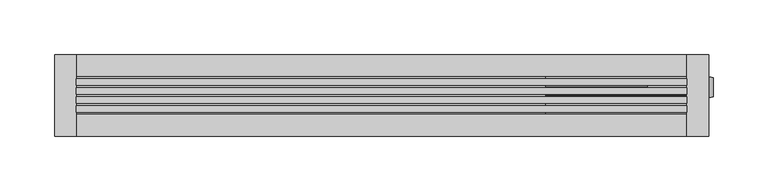
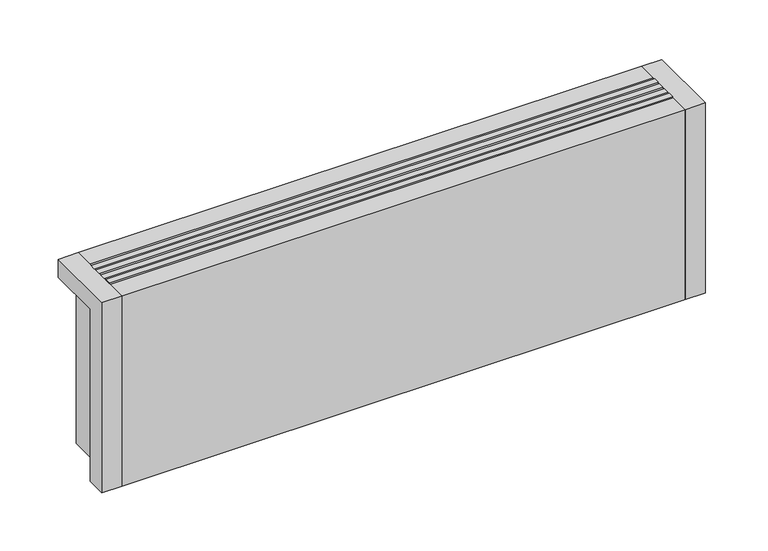
"""IFC4 building model written with IfcOpenShell, lengths in millimetres: proxy geometry."""

from ifc_helpers import new_model, si_unit, point, frame, frame_2d, origin, origin_with_axes, place, context, project, spatial, polyline, circle_curve, ellipse_curve, trimmed, segment, composite_curve, outline, extrude, source, transform, mapped, element, save
from ifc_brep_helpers import plane_surface, cylinder_surface, revolved_surface, advanced_brep


def mechanical_equipment_56a02489(model_context):
    return source(origin(), model_context, "Body", "SolidModel", [
        extrude(outline(composite_curve([segment(trimmed(circle_curve(frame_2d((7.5, 77.0)), 7.5), [point((15.0, 77.0))], [point((0.0, 77.0))], False, "CARTESIAN"), True, "CONTINUOUS"), segment(trimmed(circle_curve(frame_2d((7.5, 77.0)), 7.5), [point((0.0, 77.0))], [point((15.0, 77.0))], False, "CARTESIAN"), True, "CONTINUOUS")], self_intersect=False)), frame((544.0, 0.0, 0.0), z_axis=(1.0, 0.0, 0.0), x_axis=(0.0, 1.0, 0.0)), (0.0, 0.0, 1.0), 38.0),
        advanced_brep(
        [(582.0, 7.5, 77.0), (582.0, 19.8236127, 77.0), (582.0, -4.8236127, 77.0), (604.3972754, -1.4373094, 77.0), (604.3972754, 16.4373094, 77.0), (604.3972754, 7.5, 77.0)],
        [
            (0, 1),
            (1, 2, circle_curve(frame((582.0, 7.5, 77.0), z_axis=(-1.0, 0.0, 0.0), x_axis=(0.0, 1.0, 0.0)), 12.3236127)),
            (2, 0),
            (2, 1, circle_curve(frame((582.0, 7.5, 77.0), z_axis=(-1.0, 0.0, 0.0), x_axis=(0.0, 1.0, 0.0)), 12.3236127)),
            (3, 4, circle_curve(frame((604.3972754, 7.5, 77.0), z_axis=(1.0, 0.0, 0.0), x_axis=(0.0, 1.0, 0.0)), 8.9373094)),
            (4, 5),
            (5, 3),
            (4, 3, circle_curve(frame((604.3972754, 7.5, 77.0), z_axis=(1.0, 0.0, 0.0), x_axis=(0.0, 1.0, 0.0)), 8.9373094)),
            (1, 4, circle_curve(frame((582.930269, -49.7853335, 77.0), z_axis=(0.0, 0.0, -1.0), x_axis=(1.0, 0.0, 0.0)), 69.6151621)),
            (3, 2, circle_curve(frame((582.930269, 64.7853335, 77.0), z_axis=(0.0, 0.0, -1.0), x_axis=(1.0, 0.0, 0.0)), 69.6151621)),
        ],
        [
            plane_surface(frame((582.0, 7.5, 77.0), z_axis=(-1.0, 0.0, 0.0), x_axis=(0.0, 1.0, 0.0))),
            plane_surface(frame((604.3972754, 7.5, 77.0), z_axis=(1.0, 0.0, 0.0), x_axis=(0.0, 1.0, 0.0))),
            revolved_surface(trimmed(ellipse_curve(frame((582.930269, -49.7853335, 77.0), z_axis=(0.0, 0.0, 1.0), x_axis=(1.0, 0.0, 0.0)), 69.6151621, 69.6151621), [point((604.3972754, 16.4373094, 77.0))], [point((582.0, 19.8236127, 77.0))], True, "CARTESIAN"), (610.1181216, 7.5, 77.0), (-1.0, 0.0, 0.0)),
        ],
        [
            (0, [[1, 2, 3]]),
            (0, [[-3, 4, -1]]),
            (1, [[5, 6, 7]]),
            (1, [[8, -7, -6]]),
            (2, [[-2, 9, -5, 10]]),
            (2, [[-4, -10, -8, -9]]),
        ],
    ),
        advanced_brep(
        [(450.0, 7.5, 19.5), (450.0, 7.5, 34.5), (486.5, 7.5, 19.5), (501.5, 7.5, 34.5), (486.5, 7.5, 0.0), (501.5, 7.5, 0.0)],
        [
            (0, 1, circle_curve(frame((450.0, 7.5, 27.0), z_axis=(-1.0, 0.0, 0.0), x_axis=(0.0, 0.0, 1.0)), 7.5)),
            (1, 0, circle_curve(frame((450.0, 7.5, 27.0), z_axis=(-1.0, 0.0, 0.0), x_axis=(0.0, 0.0, 1.0)), 7.5)),
            (0, 2),
            (2, 3, ellipse_curve(frame((494.0, 7.5, 27.0), z_axis=(-0.7071067811865469, 0.0, 0.707106781186548), x_axis=(-0.7071067811865481, 0.0, -0.7071067811865468)), 10.6066017, 7.5)),
            (3, 1),
            (3, 2, ellipse_curve(frame((494.0, 7.5, 27.0), z_axis=(-0.7071067811865469, 0.0, 0.707106781186548), x_axis=(-0.7071067811865481, 0.0, -0.7071067811865468)), 10.6066017, 7.5)),
            (4, 5, circle_curve(frame((494.0, 7.5, 0.0), z_axis=(0.0, 0.0, -1.0), x_axis=(1.0, 0.0, 0.0)), 7.5)),
            (5, 4, circle_curve(frame((494.0, 7.5, 0.0), z_axis=(0.0, 0.0, -1.0), x_axis=(1.0, 0.0, 0.0)), 7.5)),
            (2, 4),
            (5, 3),
        ],
        [
            plane_surface(frame((450.0, 7.5, 27.0), z_axis=(-1.0, 0.0, 0.0), x_axis=(0.0, -1.0, 0.0))),
            cylinder_surface(frame((450.0, 7.5, 27.0), z_axis=(-1.0, 0.0, 0.0), x_axis=(0.0, 0.0, 1.0)), 7.5),
            plane_surface(frame((494.0, 7.5, 0.0), z_axis=(0.0, 0.0, -1.0), x_axis=(0.0, -1.0, 0.0))),
            cylinder_surface(frame((494.0, 7.5, 27.0), z_axis=(0.0, 0.0, 1.0), x_axis=(1.0, 0.0, 0.0)), 7.5),
        ],
        [
            (0, [[1, 2]]),
            (1, [[-1, 3, 4, 5]]),
            (1, [[-2, -5, 6, -3]]),
            (2, [[7, 8]]),
            (3, [[-4, 9, -8, 10]]),
            (3, [[-6, -10, -7, -9]]),
        ],
    ),
        advanced_brep(
        [(450.0, 7.5, 69.5), (450.0, 7.5, 84.5), (536.5, 7.5, 69.5), (551.5, 7.5, 84.5), (536.5, 7.5, 0.0), (551.5, 7.5, 0.0)],
        [
            (0, 1, circle_curve(frame((450.0, 7.5, 77.0), z_axis=(-1.0, 0.0, 0.0), x_axis=(0.0, 0.0, 1.0)), 7.5)),
            (1, 0, circle_curve(frame((450.0, 7.5, 77.0), z_axis=(-1.0, 0.0, 0.0), x_axis=(0.0, 0.0, 1.0)), 7.5)),
            (0, 2),
            (2, 3, ellipse_curve(frame((544.0, 7.5, 77.0), z_axis=(-0.7071067811865469, 0.0, 0.707106781186548), x_axis=(-0.7071067811865481, 0.0, -0.7071067811865468)), 10.6066017, 7.5)),
            (3, 1),
            (3, 2, ellipse_curve(frame((544.0, 7.5, 77.0), z_axis=(-0.7071067811865469, 0.0, 0.707106781186548), x_axis=(-0.7071067811865481, 0.0, -0.7071067811865468)), 10.6066017, 7.5)),
            (4, 5, circle_curve(frame((544.0, 7.5, 0.0), z_axis=(0.0, 0.0, -1.0), x_axis=(1.0, 0.0, 0.0)), 7.5)),
            (5, 4, circle_curve(frame((544.0, 7.5, 0.0), z_axis=(0.0, 0.0, -1.0), x_axis=(1.0, 0.0, 0.0)), 7.5)),
            (2, 4),
            (5, 3),
        ],
        [
            plane_surface(frame((450.0, 7.5, 77.0), z_axis=(-1.0, 0.0, 0.0), x_axis=(0.0, -1.0, 0.0))),
            cylinder_surface(frame((450.0, 7.5, 77.0), z_axis=(-1.0, 0.0, 0.0), x_axis=(0.0, 0.0, 1.0)), 7.5),
            plane_surface(frame((544.0, 7.5, 0.0), z_axis=(0.0, 0.0, -1.0), x_axis=(0.0, -1.0, 0.0))),
            cylinder_surface(frame((544.0, 7.5, 77.0), z_axis=(0.0, 0.0, 1.0), x_axis=(1.0, 0.0, 0.0)), 7.5),
        ],
        [
            (0, [[1, 2]]),
            (1, [[-1, 3, 4, 5]]),
            (1, [[-2, -5, 6, -3]]),
            (2, [[7, 8]]),
            (3, [[-4, 9, -8, 10]]),
            (3, [[-6, -10, -7, -9]]),
        ],
    ),
        extrude(outline(polyline([(20.0, -1.1666667), (580.0, -1.1666667), (580.0, -7.1666667), (20.0, -7.1666667), (20.0, -1.1666667)])), frame((0.0, 0.0, 182.0), z_axis=(0.0, 0.0, 1.0), x_axis=(1.0, 0.0, 0.0)), (0.0, 0.0, 1.0), 18.0),
        extrude(outline(polyline([(20.0, 7.1666667), (580.0, 7.1666667), (580.0, 1.1666667), (20.0, 1.1666667), (20.0, 7.1666667)])), frame((0.0, 0.0, 182.0), z_axis=(0.0, 0.0, 1.0), x_axis=(1.0, 0.0, 0.0)), (0.0, 0.0, 1.0), 18.0),
        extrude(outline(polyline([(20.0, -9.5), (580.0, -9.5), (580.0, -15.5), (20.0, -15.5), (20.0, -9.5)])), frame((0.0, 0.0, 182.0), z_axis=(0.0, 0.0, 1.0), x_axis=(1.0, 0.0, 0.0)), (0.0, 0.0, 1.0), 18.0),
        extrude(outline(polyline([(20.0, 15.5), (580.0, 15.5), (580.0, 9.5), (20.0, 9.5), (20.0, 15.5)])), frame((0.0, 0.0, 182.0), z_axis=(0.0, 0.0, 1.0), x_axis=(1.0, 0.0, 0.0)), (0.0, 0.0, 1.0), 18.0),
        extrude(outline(polyline([(580.0, 17.5), (20.0, 17.5), (20.0, 37.5), (580.0, 37.5), (580.0, 17.5)])), origin_with_axes(), (0.0, 0.0, 1.0), 181.0),
        advanced_brep(
        [(580.0, -37.5, 200.0), (600.0, -37.5, 200.0), (600.0, 37.5, 200.0), (580.0, 37.5, 200.0), (20.0, 37.5, 200.0), (0.0, 37.5, 200.0), (0.0, -37.5, 200.0), (20.0, -37.5, 200.0), (20.0, -37.5, 0.0), (0.0, -37.5, 0.0), (0.0, -17.5, 0.0), (18.0, -17.5, 0.0), (18.0, 37.5, 0.0), (20.0, 37.5, 0.0), (20.0, 17.5, 0.0), (580.0, 17.5, 0.0), (580.0, 37.5, 0.0), (582.0, 37.5, 0.0), (582.0, -17.5, 0.0), (600.0, -17.5, 0.0), (600.0, -37.5, 0.0), (580.0, -37.5, 0.0), (580.0, -17.5, 0.0), (20.0, -17.5, 0.0), (486.5, 7.5, 0.0), (501.5, 7.5, 0.0), (536.5, 7.5, 0.0), (551.5, 7.5, 0.0), (20.0, -17.5, 181.0), (20.0, 17.5, 181.0), (580.0, -17.5, 20.0), (450.0, -17.5, 20.0), (450.0, -17.5, 181.0), (580.0, 17.5, 20.0), (580.0, 14.6414284, 20.0), (580.0, 17.5, 27.0), (580.0, -2.5, 27.0), (580.0, 0.3585716, 20.0), (580.0, -2.5, 77.0), (580.0, 17.5, 77.0), (600.0, -17.5, 181.0), (600.0, 37.5, 181.0), (582.0, 37.5, 181.0), (450.0, 17.5, 181.0), (450.0, 17.5, 20.0), (18.0, 37.5, 181.0), (0.0, 37.5, 181.0), (0.0, -17.5, 181.0), (582.0, -17.5, 181.0), (582.0, 17.5, 27.0), (582.0, -2.5, 27.0), (582.0, 17.5, 77.0), (582.0, -2.5, 77.0), (18.0, -17.5, 181.0), (486.5, 7.5, 5.0), (501.5, 7.5, 5.0), (536.5, 7.5, 5.0), (551.5, 7.5, 5.0)],
        [
            (0, 1),
            (1, 2),
            (2, 3),
            (3, 0),
            (4, 5),
            (5, 6),
            (6, 7),
            (7, 4),
            (8, 9),
            (9, 10),
            (10, 11),
            (11, 12),
            (12, 13),
            (13, 14),
            (14, 15),
            (15, 16),
            (16, 17),
            (17, 18),
            (18, 19),
            (19, 20),
            (20, 21),
            (21, 22),
            (22, 23),
            (23, 8),
            (24, 25, circle_curve(frame((494.0, 7.5, 0.0), z_axis=(0.0, 0.0, 1.0), x_axis=(1.0, 0.0, 0.0)), 7.5)),
            (25, 24, circle_curve(frame((494.0, 7.5, 0.0), z_axis=(0.0, 0.0, 1.0), x_axis=(1.0, 0.0, 0.0)), 7.5)),
            (26, 27, circle_curve(frame((544.0, 7.5, 0.0), z_axis=(0.0, 0.0, 1.0), x_axis=(1.0, 0.0, 0.0)), 7.5)),
            (27, 26, circle_curve(frame((544.0, 7.5, 0.0), z_axis=(0.0, 0.0, 1.0), x_axis=(1.0, 0.0, 0.0)), 7.5)),
            (13, 4),
            (7, 8),
            (23, 28),
            (28, 29),
            (29, 14),
            (22, 30),
            (30, 31),
            (31, 32),
            (32, 28),
            (15, 33),
            (33, 34),
            (34, 35, circle_curve(frame((580.0, 7.5, 27.0), z_axis=(1.0, 0.0, 0.0), x_axis=(0.0, 1.0, 0.0)), 10.0)),
            (35, 36, circle_curve(frame((580.0, 7.5, 27.0), z_axis=(1.0, 0.0, 0.0), x_axis=(0.0, 1.0, 0.0)), 10.0)),
            (36, 37, circle_curve(frame((580.0, 7.5, 27.0), z_axis=(1.0, 0.0, 0.0), x_axis=(0.0, 1.0, 0.0)), 10.0)),
            (37, 30),
            (21, 0),
            (3, 16),
            (38, 39, circle_curve(frame((580.0, 7.5, 77.0), z_axis=(1.0, 0.0, 0.0), x_axis=(0.0, 1.0, 0.0)), 10.0)),
            (39, 38, circle_curve(frame((580.0, 7.5, 77.0), z_axis=(1.0, 0.0, 0.0), x_axis=(0.0, 1.0, 0.0)), 10.0)),
            (20, 1),
            (19, 40),
            (40, 41),
            (41, 2),
            (41, 42),
            (42, 17),
            (29, 43),
            (43, 44),
            (44, 33),
            (12, 45),
            (45, 46),
            (46, 5),
            (46, 47),
            (47, 10),
            (9, 6),
            (32, 43),
            (44, 31),
            (37, 34),
            (40, 48),
            (48, 42),
            (48, 18),
            (49, 50, circle_curve(frame((582.0, 7.5, 27.0), z_axis=(-1.0, 0.0, 0.0), x_axis=(0.0, 1.0, 0.0)), 10.0)),
            (50, 49, circle_curve(frame((582.0, 7.5, 27.0), z_axis=(-1.0, 0.0, 0.0), x_axis=(0.0, 1.0, 0.0)), 10.0)),
            (51, 52, circle_curve(frame((582.0, 7.5, 77.0), z_axis=(-1.0, 0.0, 0.0), x_axis=(0.0, 1.0, 0.0)), 10.0)),
            (52, 51, circle_curve(frame((582.0, 7.5, 77.0), z_axis=(-1.0, 0.0, 0.0), x_axis=(0.0, 1.0, 0.0)), 10.0)),
            (45, 53),
            (53, 47),
            (11, 53),
            (37, 34, circle_curve(frame((580.0, 7.5, 27.0), z_axis=(1.0, 0.0, 0.0), x_axis=(0.0, 1.0, 0.0)), 10.0)),
            (36, 50),
            (49, 35),
            (38, 52),
            (51, 39),
            (54, 55, circle_curve(frame((494.0, 7.5, 5.0), z_axis=(0.0, 0.0, -1.0), x_axis=(1.0, 0.0, 0.0)), 7.5)),
            (55, 54, circle_curve(frame((494.0, 7.5, 5.0), z_axis=(0.0, 0.0, -1.0), x_axis=(1.0, 0.0, 0.0)), 7.5)),
            (56, 57, circle_curve(frame((544.0, 7.5, 5.0), z_axis=(0.0, 0.0, -1.0), x_axis=(1.0, 0.0, 0.0)), 7.5)),
            (57, 56, circle_curve(frame((544.0, 7.5, 5.0), z_axis=(0.0, 0.0, -1.0), x_axis=(1.0, 0.0, 0.0)), 7.5)),
            (55, 25),
            (24, 54),
            (57, 27),
            (26, 56),
        ],
        [
            plane_surface(frame((20.0, -37.5, 200.0), z_axis=(0.0, 0.0, 1.0), x_axis=(0.0, 1.0, 0.0))),
            plane_surface(frame((20.0, -37.5, 0.0), z_axis=(0.0, 0.0, -1.0), x_axis=(0.0, -1.0, 0.0))),
            plane_surface(frame((20.0, -37.5, 200.0), z_axis=(1.0, 0.0, 0.0), x_axis=(0.0, 0.0, -1.0))),
            plane_surface(frame((20.0, -17.5, 200.0), z_axis=(0.0, -1.0, 0.0), x_axis=(0.0, 0.0, -1.0))),
            plane_surface(frame((580.0, -17.5, 200.0), z_axis=(-1.0, 0.0, 0.0), x_axis=(0.0, 0.0, -1.0))),
            plane_surface(frame((580.0, -37.5, 200.0), z_axis=(0.0, -1.0, 0.0), x_axis=(0.0, 0.0, -1.0))),
            plane_surface(frame((600.0, -37.5, 200.0), z_axis=(1.0, 0.0, 0.0), x_axis=(0.0, 0.0, -1.0))),
            plane_surface(frame((600.0, 37.5, 200.0), z_axis=(0.0, 1.0, 0.0), x_axis=(0.0, 0.0, -1.0))),
            plane_surface(frame((580.0, 17.5, 200.0), z_axis=(0.0, 1.0, 0.0), x_axis=(0.0, 0.0, -1.0))),
            plane_surface(frame((20.0, 37.5, 200.0), z_axis=(0.0, 1.0, 0.0), x_axis=(0.0, 0.0, -1.0))),
            plane_surface(frame((0.0, 37.5, 200.0), z_axis=(-1.0, 0.0, 0.0), x_axis=(0.0, 0.0, -1.0))),
            plane_surface(frame((0.0, -37.5, 200.0), z_axis=(0.0, -1.0, 0.0), x_axis=(0.0, 0.0, -1.0))),
            plane_surface(frame((20.0, 17.5, 181.0), z_axis=(0.0, 0.0, 1.0), x_axis=(1.0, 0.0, 0.0))),
            plane_surface(frame((450.0, 17.5, 20.0), z_axis=(0.0, 0.0, 1.0), x_axis=(0.0, 1.0, 0.0))),
            plane_surface(frame((450.0, 17.5, 200.0), z_axis=(1.0, 0.0, 0.0), x_axis=(0.0, 0.0, -1.0))),
            plane_surface(frame((582.0, 37.5, 181.0), z_axis=(0.0, 0.0, -1.0), x_axis=(0.0, -1.0, 0.0))),
            plane_surface(frame((582.0, 37.5, 181.0), z_axis=(1.0, 0.0, 0.0), x_axis=(0.0, 0.0, -1.0))),
            plane_surface(frame((582.0, -17.5, 181.0), z_axis=(0.0, 1.0, 0.0), x_axis=(0.0, 0.0, -1.0))),
            plane_surface(frame((0.0, 37.5, 181.0), z_axis=(0.0, 0.0, -1.0), x_axis=(-1.0, 0.0, 0.0))),
            plane_surface(frame((18.0, -17.5, 181.0), z_axis=(-1.0, 0.0, 0.0), x_axis=(0.0, 0.0, -1.0))),
            plane_surface(frame((0.0, -17.5, 181.0), z_axis=(0.0, 1.0, 0.0), x_axis=(0.0, 0.0, -1.0))),
            plane_surface(frame((580.0, 17.5, 27.0), z_axis=(1.0, 0.0, 0.0), x_axis=(0.0, 0.0, -1.0))),
            revolved_surface(polyline([(582.0, 17.5, 27.0), (580.0, 17.5, 27.0)]), (580.0, 7.5, 27.0), (1.0, 0.0, 0.0)),
            revolved_surface(polyline([(582.0, 17.5, 77.0), (580.0, 17.5, 77.0)]), (0.0, 7.5, 77.0), (1.0, 0.0, 0.0)),
            plane_surface(frame((501.5, 7.5, 5.0), z_axis=(0.0, 0.0, -1.0), x_axis=(0.0, 1.0, 0.0))),
            revolved_surface(polyline([(501.5, 7.5, 5.0), (501.5, 7.5, 0.0)]), (494.0, 7.5, 0.0), (0.0, 0.0, 1.0)),
            revolved_surface(polyline([(551.5, 7.5, 5.0), (551.5, 7.5, 0.0)]), (544.0, 7.5, 0.0), (0.0, 0.0, 1.0)),
        ],
        [
            (0, [[1, 2, 3, 4]]),
            (0, [[5, 6, 7, 8]]),
            (1, [[9, 10, 11, 12, 13, 14, 15, 16, 17, 18, 19, 20, 21, 22, 23, 24], [25, 26], [27, 28]]),
            (2, [[-14, 29, -8, 30, -24, 31, 32, 33]]),
            (3, [[-23, 34, 35, 36, 37, -31]]),
            (4, [[-16, 38, 39, 40, 41, 42, 43, -34, -22, 44, -4, 45], [46, 47]]),
            (5, [[-1, -44, -21, 48]]),
            (6, [[-2, -48, -20, 49, 50, 51]]),
            (7, [[-3, -51, 52, 53, -17, -45]]),
            (8, [[-15, -33, 54, 55, 56, -38]]),
            (9, [[-5, -29, -13, 57, 58, 59]]),
            (10, [[-6, -59, 60, 61, -10, 62]]),
            (11, [[-7, -62, -9, -30]]),
            (12, [[-32, -37, 63, -54]]),
            (13, [[64, -35, -43, 65, -39, -56]]),
            (14, [[-64, -55, -63, -36]]),
            (15, [[66, 67, -52, -50]]),
            (16, [[-67, 68, -18, -53], [69, 70], [71, 72]]),
            (17, [[-66, -49, -19, -68]]),
            (18, [[73, 74, -60, -58]]),
            (19, [[-73, -57, -12, 75]]),
            (20, [[-74, -75, -11, -61]]),
            (21, [[76, -65]]),
            (22, [[-76, -42, 77, -69, 78, -40]]),
            (22, [[-77, -41, -78, -70]]),
            (23, [[79, -71, 80, -46]]),
            (23, [[-79, -47, -80, -72]]),
            (24, [[81, 82]]),
            (24, [[83, 84]]),
            (25, [[-82, 85, -25, 86]]),
            (25, [[-81, -86, -26, -85]]),
            (26, [[-84, 87, -27, 88]]),
            (26, [[-83, -88, -28, -87]]),
        ],
    ),
        extrude(outline(polyline([(580.0, 17.5), (20.0, 17.5), (20.0, 37.5), (580.0, 37.5), (580.0, 17.5)])), frame((0.0, 0.0, 181.0), z_axis=(0.0, 0.0, 1.0), x_axis=(1.0, 0.0, 0.0)), (0.0, 0.0, 1.0), 19.0),
        extrude(outline(polyline([(580.0, -37.5), (20.0, -37.5), (20.0, -17.5), (580.0, -17.5), (580.0, -37.5)])), origin_with_axes(), (0.0, 0.0, 1.0), 200.0),
        extrude(outline(composite_curve([segment(trimmed(circle_curve(frame_2d((7.5, 77.0)), 10.0), [point((-2.5, 77.0))], [point((17.5, 77.0))], False, "CARTESIAN"), True, "CONTINUOUS"), segment(trimmed(circle_curve(frame_2d((7.5, 77.0)), 10.0), [point((17.5, 77.0))], [point((-2.5, 77.0))], False, "CARTESIAN"), True, "CONTINUOUS")], self_intersect=False)), frame((580.0, 0.0, 0.0), z_axis=(1.0, 0.0, 0.0), x_axis=(0.0, 1.0, 0.0)), (0.0, 0.0, 1.0), 2.0),
        extrude(outline(composite_curve([segment(trimmed(circle_curve(frame_2d((7.5, 27.0)), 10.0), [point((-2.5, 27.0))], [point((17.5, 27.0))], False, "CARTESIAN"), True, "CONTINUOUS"), segment(trimmed(circle_curve(frame_2d((7.5, 27.0)), 10.0), [point((17.5, 27.0))], [point((-2.5, 27.0))], False, "CARTESIAN"), True, "CONTINUOUS")], self_intersect=False)), frame((580.0, 0.0, 0.0), z_axis=(1.0, 0.0, 0.0), x_axis=(0.0, 1.0, 0.0)), (0.0, 0.0, 1.0), 2.0),
    ])


if __name__ == "__main__":
    model = new_model("IFC4")
    model_context = context("Model", 3, world=origin())
    ifc_project = project(units=[si_unit("LENGTHUNIT", "METRE", prefix="MILLI")], contexts=[model_context])
    site = spatial("IfcSite", under=ifc_project)
    building = spatial("IfcBuilding", under=site)
    placement = place(None, origin())
    mechanical_equipment_shape = mechanical_equipment_56a02489(model_context)
    element("IfcBuildingElementProxy", 1, Name="Mechanical Equipment", at=placement, inside=building, context=model_context, shape_type="MappedRepresentation", body=[
        mapped(mechanical_equipment_shape, transform((0.0, 0.0, 0.0), x_axis=(1.0, 0.0, 0.0), y_axis=(0.0, 1.0, 0.0), z_axis=(0.0, 0.0, 1.0))),
    ])
    save(model, "model.ifc")
